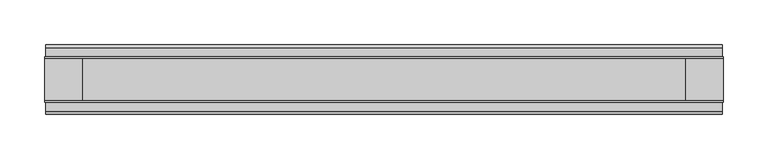
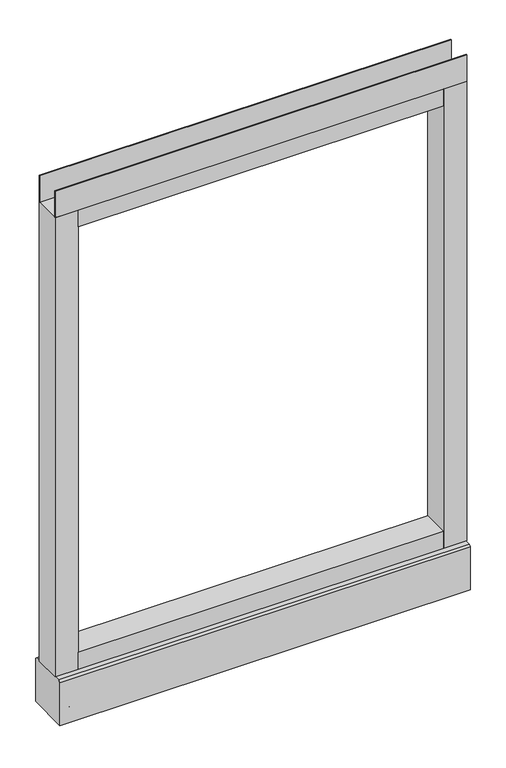
"""IFC4 building model written with IfcOpenShell, lengths in millimetres: furniture geometry."""

from ifc_helpers import new_model, si_unit, point, frame, frame_2d, origin, place, context, project, spatial, polyline, circle_curve, trimmed, segment, composite_curve, outline, extrude, source, transform, mapped, element, save
from ifc_brep_helpers import plane_surface, revolved_surface, advanced_brep


def furniture_23e15e87(model_context):
    return source(origin(), model_context, "Body", "SolidModel", [
        advanced_brep(
        [(311.15, 0.0, 6.35), (336.55, 0.0, 6.35), (304.8, 0.0, 0.0), (342.9, 0.0, 0.0)],
        [
            (0, 1, circle_curve(frame((323.85, 0.0, 6.35), z_axis=(0.0, 0.0, 1.0), x_axis=(-1.0, 0.0, 0.0)), 12.7)),
            (1, 0, circle_curve(frame((323.85, 0.0, 6.35), z_axis=(0.0, 0.0, 1.0), x_axis=(1.0, 0.0, 0.0)), 12.7)),
            (2, 3, circle_curve(frame((323.85, 0.0, 0.0), z_axis=(0.0, 0.0, -1.0), x_axis=(1.0, 0.0, 0.0)), 19.05)),
            (3, 2, circle_curve(frame((323.85, 0.0, 0.0), z_axis=(0.0, 0.0, -1.0), x_axis=(-1.0, 0.0, 0.0)), 19.05)),
            (3, 1),
            (0, 2),
        ],
        [
            plane_surface(frame((323.85, 0.0, 6.35), z_axis=(0.0, 0.0, 1.0), x_axis=(0.0, -1.0, 0.0))),
            plane_surface(frame((323.85, 0.0, 0.0), z_axis=(0.0, 0.0, -1.0), x_axis=(0.0, -1.0, 0.0))),
            revolved_surface(polyline([(311.15000000000003, 0.0, 6.35), (304.8, 0.0, 0.0)]), (323.85, 0.0, 19.05), (0.0, 0.0, -1.0)),
            revolved_surface(polyline([(336.55, 0.0, 6.35), (342.9, 0.0, 0.0)]), (323.85, 0.0, 19.05), (0.0, 0.0, -1.0)),
        ],
        [
            (0, [[1, 2]]),
            (1, [[3, 4]]),
            (2, [[-4, 5, -1, 6]]),
            (3, [[-3, -6, -2, -5]]),
        ],
    ),
        advanced_brep(
        [(-336.55, 0.0, 6.35), (-311.15, 0.0, 6.35), (-342.9, 0.0, 0.0), (-304.8, 0.0, 0.0)],
        [
            (0, 1, circle_curve(frame((-323.85, 0.0, 6.35), z_axis=(0.0, 0.0, 1.0), x_axis=(-1.0, 0.0, 0.0)), 12.7)),
            (1, 0, circle_curve(frame((-323.85, 0.0, 6.35), z_axis=(0.0, 0.0, 1.0), x_axis=(1.0, 0.0, 0.0)), 12.7)),
            (2, 3, circle_curve(frame((-323.85, 0.0, 0.0), z_axis=(0.0, 0.0, -1.0), x_axis=(1.0, 0.0, 0.0)), 19.05)),
            (3, 2, circle_curve(frame((-323.85, 0.0, 0.0), z_axis=(0.0, 0.0, -1.0), x_axis=(-1.0, 0.0, 0.0)), 19.05)),
            (3, 1),
            (0, 2),
        ],
        [
            plane_surface(frame((-323.85, 0.0, 6.35), z_axis=(0.0, 0.0, 1.0), x_axis=(0.0, -1.0, 0.0))),
            plane_surface(frame((-323.85, 0.0, 0.0), z_axis=(0.0, 0.0, -1.0), x_axis=(0.0, -1.0, 0.0))),
            revolved_surface(polyline([(-336.55, 0.0, 6.35), (-342.9, 0.0, 0.0)]), (-323.85, 0.0, 19.05), (0.0, 0.0, -1.0)),
            revolved_surface(polyline([(-311.15000000000003, 0.0, 6.35), (-304.8, 0.0, 0.0)]), (-323.85, 0.0, 19.05), (0.0, 0.0, -1.0)),
        ],
        [
            (0, [[1, 2]]),
            (1, [[3, 4]]),
            (2, [[-4, 5, -1, 6]]),
            (3, [[-3, -6, -2, -5]]),
        ],
    ),
        extrude(outline(polyline([(381.0, -23.8125), (381.0, -25.4), (-381.0, -25.4), (-381.0, -23.8125), (381.0, -23.8125)])), frame((0.0, 0.0, 1000.633), z_axis=(0.0, 0.0, 1.0), x_axis=(1.0, 0.0, 0.0)), (0.0, 0.0, 1.0), 51.435),
        extrude(outline(polyline([(381.0, 25.4), (381.0, 23.8125), (-381.0, 23.8125), (-381.0, 25.4), (381.0, 25.4)])), frame((0.0, 0.0, 1000.633), z_axis=(0.0, 0.0, 1.0), x_axis=(1.0, 0.0, 0.0)), (0.0, 0.0, 1.0), 51.435),
        extrude(outline(polyline([(338.1375, -25.4), (-338.1375, -25.4), (-338.1375, 25.4), (338.1375, 25.4), (338.1375, -25.4)])), frame((0.0, 0.0, 967.74), z_axis=(0.0, 0.0, 1.0), x_axis=(1.0, 0.0, 0.0)), (0.0, 0.0, 1.0), 32.893),
        extrude(outline(polyline([(338.1375, -25.4), (-338.1375, -25.4), (-338.1375, 25.4), (338.1375, 25.4), (338.1375, -25.4)])), frame((0.0, 0.0, 101.6), z_axis=(0.0, 0.0, 1.0), x_axis=(1.0, 0.0, 0.0)), (0.0, 0.0, 1.0), 32.893),
        extrude(outline(composite_curve([segment(trimmed(circle_curve(frame_2d((-323.85, 0.0)), 5.55625), [point((-329.40625, 0.0))], [point((-318.29375, 0.0))], False, "CARTESIAN"), True, "CONTINUOUS"), segment(trimmed(circle_curve(frame_2d((-323.85, 0.0)), 5.55625), [point((-318.29375, 0.0))], [point((-329.40625, 0.0))], False, "CARTESIAN"), True, "CONTINUOUS")], self_intersect=False)), frame((0.0, 0.0, 6.35), z_axis=(0.0, 0.0, 1.0), x_axis=(1.0, 0.0, 0.0)), (0.0, 0.0, 1.0), 7.9375),
        extrude(outline(composite_curve([segment(trimmed(circle_curve(frame_2d((323.85, 0.0)), 5.55625), [point((318.29375, 0.0))], [point((329.40625, 0.0))], False, "CARTESIAN"), True, "CONTINUOUS"), segment(trimmed(circle_curve(frame_2d((323.85, 0.0)), 5.55625), [point((329.40625, 0.0))], [point((318.29375, 0.0))], False, "CARTESIAN"), True, "CONTINUOUS")], self_intersect=False)), frame((0.0, 0.0, 6.35), z_axis=(0.0, 0.0, 1.0), x_axis=(1.0, 0.0, 0.0)), (0.0, 0.0, 1.0), 7.9375),
        extrude(outline(polyline([(-338.1375, -25.4), (-381.0, -25.4), (-381.0, 25.4), (-338.1375, 25.4), (-338.1375, -25.4)])), frame((0.0, 0.0, 101.6), z_axis=(0.0, 0.0, 1.0), x_axis=(1.0, 0.0, 0.0)), (0.0, 0.0, 1.0), 899.033),
        extrude(outline(polyline([(381.0, -25.4), (338.1375, -25.4), (338.1375, 25.4), (381.0, 25.4), (381.0, -25.4)])), frame((0.0, 0.0, 101.6), z_axis=(0.0, 0.0, 1.0), x_axis=(1.0, 0.0, 0.0)), (0.0, 0.0, 1.0), 899.033),
        extrude(outline(polyline([(-35.9171875, 101.6), (35.9171875, 101.6), (39.0921875, 98.425), (39.0921875, 14.2875), (-39.0921875, 14.2875), (-39.0921875, 98.425), (-35.9171875, 101.6)])), frame((-379.857, 0.0, 0.0), z_axis=(1.0, 0.0, 0.0), x_axis=(0.0, 1.0, 0.0)), (0.0, 0.0, 1.0), 759.7140102),
    ])


if __name__ == "__main__":
    model = new_model("IFC4")
    model_context = context("Model", 3, world=origin())
    ifc_project = project(units=[si_unit("LENGTHUNIT", "METRE", prefix="MILLI")], contexts=[model_context])
    site = spatial("IfcSite", under=ifc_project)
    building = spatial("IfcBuilding", under=site)
    placement = place(None, origin())
    furniture_shape = furniture_23e15e87(model_context)
    element("IfcFurniture", 1, at=placement, inside=building, context=model_context, shape_type="MappedRepresentation", body=[
        mapped(furniture_shape, transform((0.0, 0.0, 0.0), x_axis=(1.0, 0.0, 0.0), y_axis=(0.0, 1.0, 0.0), z_axis=(0.0, 0.0, 1.0))),
    ])
    save(model, "model.ifc")
